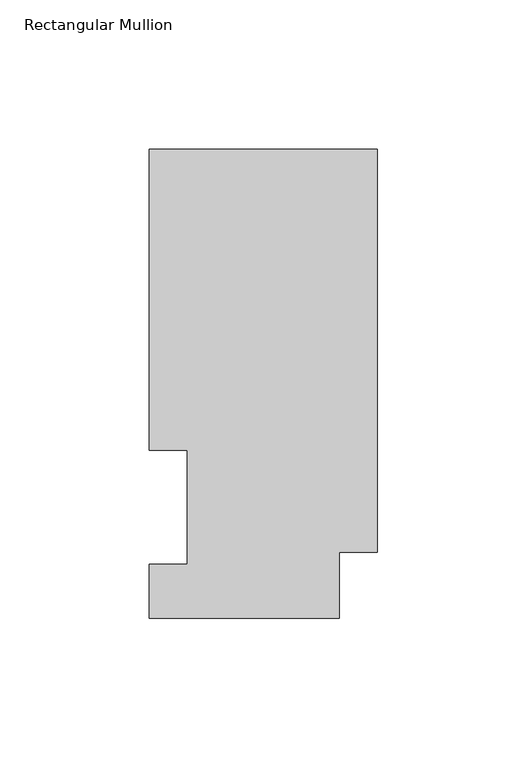
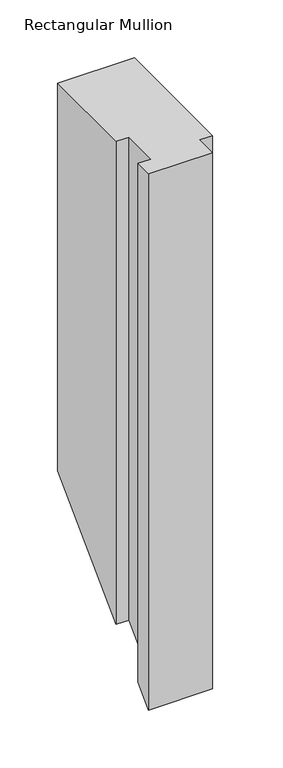
"""IFC4 building model written with IfcOpenShell, lengths in millimetres: member geometry, Rectangular Mullion."""

from ifc_helpers import new_model, si_unit, origin, place, context, project, spatial, faceted_brep, source, transform, mapped, element, save


def rectangular_mullion_fa9b4192(model_context):
    return source(origin(), model_context, "Body", "Brep", [
        faceted_brep([(0.0, 157.3397822, 0.0), (-76.2, 157.3397822, 0.0), (-76.2, 56.6539062, 0.0), (-63.5762, 56.6539063, 0.0), (-63.5762, 18.5539062, 0.0), (-76.2, 18.5539062, 0.0), (-76.2, 0.5199062, 0.0), (-12.7, 0.5199062, 0.0), (-12.7, 22.6195299, 0.0), (0.0, 22.6195299, 0.0), (0.0, 157.3397822, -407.8102178), (-76.2, 157.3397822, -407.8102178), (-76.2, 56.6539062, -508.4960937), (-63.5762, 56.6539063, -508.4960937), (-63.5762, 18.5539062, -546.5960937), (-76.2, 18.5539062, -546.5960937), (-76.2, 0.5199062, -564.6300937), (-12.7, 0.5199062, -564.6300937), (-12.7, 22.6195299, -542.5304701), (0.0, 22.6195299, -542.5304701)], [[[0, 1, 2, 3, 4, 5, 6, 7, 8, 9]], [[1, 0, 10, 11]], [[2, 1, 11, 12]], [[3, 2, 12, 13]], [[4, 3, 13, 14]], [[5, 4, 14, 15]], [[6, 5, 15, 16]], [[7, 6, 16, 17]], [[8, 7, 17, 18]], [[9, 8, 18, 19]], [[0, 9, 19, 10]], [[10, 19, 18, 17, 16, 15, 14, 13, 12, 11]]]),
    ])


if __name__ == "__main__":
    model = new_model("IFC4")
    model_context = context("Model", 3, world=origin())
    ifc_project = project(units=[si_unit("LENGTHUNIT", "METRE", prefix="MILLI")], contexts=[model_context])
    site = spatial("IfcSite", under=ifc_project)
    building = spatial("IfcBuilding", under=site)
    placement = place(None, origin())
    rectangular_mullion_shape = rectangular_mullion_fa9b4192(model_context)
    element("IfcMember", 1, ObjectType="Rectangular Mullion", at=placement, inside=building, context=model_context, shape_type="MappedRepresentation", body=[
        mapped(rectangular_mullion_shape, transform((0.0, 0.0, 0.0), x_axis=(1.0, 0.0, 0.0), y_axis=(0.0, 1.0, 0.0), z_axis=(0.0, 0.0, 1.0))),
    ])
    save(model, "model.ifc")
